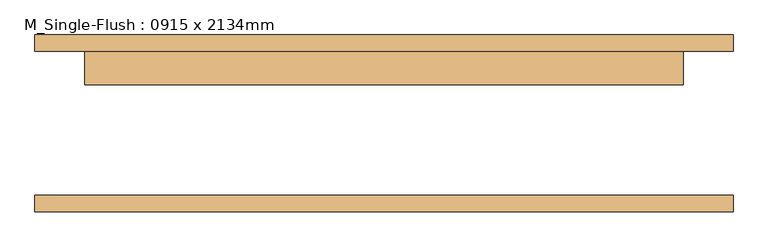
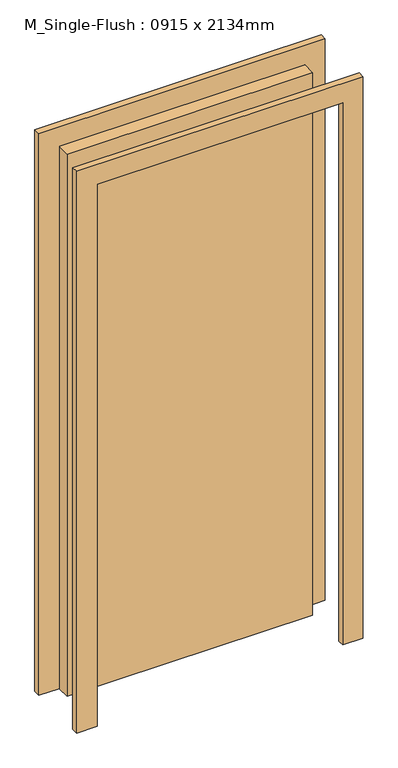
"""IFC4 building model written with IfcOpenShell, lengths in millimetres: door geometry, M_Single-Flush : 0915 x 2134mm."""

from ifc_helpers import new_model, si_unit, frame, origin, origin_with_axes, place, context, project, spatial, polyline, outline, extrude, source, transform, mapped, element, save


def m_single_flush_0915_x_2134mm_ae6c1412(model_context):
    return source(origin(), model_context, "Body", "SweptSolid", [
        extrude(outline(polyline([(2210.0, -533.5), (0.0, -533.5), (0.0, -457.5), (2134.0, -457.5), (2134.0, 457.5), (0.0, 457.5), (0.0, 533.5), (2210.0, 533.5), (2210.0, -533.5)])), frame((0.0, 110.0, 0.0), z_axis=(0.0, 1.0, 0.0), x_axis=(0.0, 0.0, 1.0)), (0.0, 0.0, 1.0), 25.0),
        extrude(outline(polyline([(2210.0, 533.5), (2210.0, -533.5), (0.0, -533.5), (0.0, -457.5), (2134.0, -457.5), (2134.0, 457.5), (0.0, 457.5), (0.0, 533.5), (2210.0, 533.5)])), frame((0.0, -135.0, 0.0), z_axis=(0.0, 1.0, 0.0), x_axis=(0.0, 0.0, 1.0)), (0.0, 0.0, 1.0), 25.0),
        extrude(outline(polyline([(457.5, 59.0), (-457.5, 59.0), (-457.5, 110.0), (457.5, 110.0), (457.5, 59.0)])), origin_with_axes(), (0.0, 0.0, 1.0), 2134.0),
    ])


if __name__ == "__main__":
    model = new_model("IFC4")
    model_context = context("Model", 3, world=origin())
    ifc_project = project(units=[si_unit("LENGTHUNIT", "METRE", prefix="MILLI")], contexts=[model_context])
    site = spatial("IfcSite", under=ifc_project)
    building = spatial("IfcBuilding", under=site)
    placement = place(None, origin())
    m_single_flush_0915_x_2134mm_shape = m_single_flush_0915_x_2134mm_ae6c1412(model_context)
    element("IfcDoor", 1, ObjectType="M_Single-Flush : 0915 x 2134mm", at=placement, inside=building, context=model_context, shape_type="MappedRepresentation", body=[
        mapped(m_single_flush_0915_x_2134mm_shape, transform((0.0, 0.0, 0.0), x_axis=(1.0, 0.0, 0.0), y_axis=(0.0, 1.0, 0.0), z_axis=(0.0, 0.0, 1.0))),
    ])
    save(model, "model.ifc")
